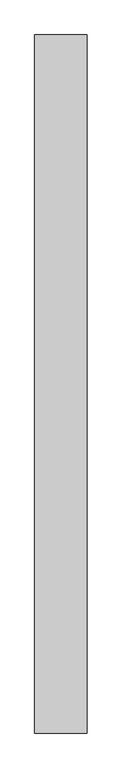
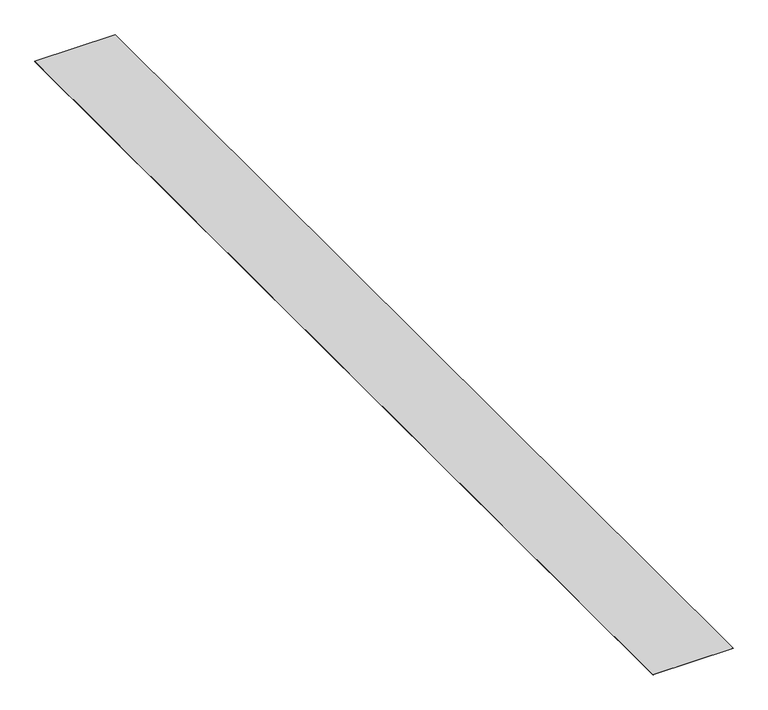
"""IFC4 building model written with IfcOpenShell, lengths in millimetres: proxy geometry."""

import ifcopenshell
import ifcopenshell.guid

model = None  # the IFC model being written
_history = None  # IfcOwnerHistory: only IFC2X3 demands one
_inside = {}  # id of a spatial element -> (the spatial element, [elements in it])
_under = {}  # id of a project, library or spatial element -> (it, [spatial elements below it])
_declared = {}  # id of a project -> (the project, [libraries it declares])
_typed = {}  # id of a type object -> (the type object, [elements of that type])
_made_of = {}  # id of a material, layer set ... -> (it, [elements and type objects made of it])


def new_model(schema):
    """Start an empty IFC model of exactly this schema.

    Asked for "IFC4X3", IfcOpenShell would pick the latest addendum, in which some entities
    have other attributes; the version numbers below select the first issue.
    IFC2X3 requires an IfcOwnerHistory on every rooted entity: one is made here for all.
    """
    global model, _history
    if schema == "IFC4X3":
        model = ifcopenshell.file(schema_version=(4, 3, 0, 0))
    else:
        model = ifcopenshell.file(schema=schema)
    _inside.clear()
    _under.clear()
    _declared.clear()
    _typed.clear()
    _made_of.clear()
    _history = None
    if model.schema == "IFC2X3":
        org = make("IfcOrganization", Name="unknown")
        user = make(
            "IfcPersonAndOrganization",
            ThePerson=make("IfcPerson", FamilyName="unknown"),
            TheOrganization=org,
        )
        app = make(
            "IfcApplication",
            ApplicationDeveloper=org,
            Version="unknown",
            ApplicationFullName="unknown",
            ApplicationIdentifier="unknown",
        )
        _history = make(
            "IfcOwnerHistory",
            OwningUser=user,
            OwningApplication=app,
            ChangeAction="ADDED",
            CreationDate=0,
        )
    return model


def make(cls, **values):
    """One entity of the class cls with the attributes given. An attribute that is None is left unset."""
    return model.create_entity(
        cls, **{name: value for name, value in values.items() if value is not None}
    )


def rooted(cls, **values):
    """An entity with a GlobalId (a new one), such as an element, a storey or a relation."""
    return make(cls, GlobalId=ifcopenshell.guid.new(), OwnerHistory=_history, **values)


def si_unit(unit_type, name, prefix=None):
    """IfcSIUnit, for example si_unit("LENGTHUNIT", "METRE", prefix="MILLI")."""
    return make("IfcSIUnit", UnitType=unit_type, Prefix=prefix, Name=name)


def assignment(units):
    """IfcUnitAssignment: the units of a project."""
    return None if units is None else make("IfcUnitAssignment", Units=units)


def point(xyz):
    """IfcCartesianPoint."""
    return None if xyz is None else make("IfcCartesianPoint", Coordinates=xyz)


def direction(xyz):
    """IfcDirection."""
    return None if xyz is None else make("IfcDirection", DirectionRatios=xyz)


def frame(location, z_axis=None, x_axis=None):
    """IfcAxis2Placement3D, a coordinate frame: its origin and axes. An axis left out is left unset."""
    return make(
        "IfcAxis2Placement3D",
        Location=point(location),
        Axis=direction(z_axis),
        RefDirection=direction(x_axis),
    )


def origin():
    """The frame at (0, 0, 0) with its axes left unset."""
    return frame((0.0, 0.0, 0.0))


def origin_with_axes():
    """The frame at (0, 0, 0) with the z axis (0, 0, 1) and the x axis (1, 0, 0) written out."""
    return frame((0.0, 0.0, 0.0), z_axis=(0.0, 0.0, 1.0), x_axis=(1.0, 0.0, 0.0))


def place(relative_to, where):
    """IfcLocalPlacement: puts the frame where relative to a parent placement (None: the world)."""
    return make(
        "IfcLocalPlacement", PlacementRelTo=relative_to, RelativePlacement=where
    )


def context(
    kind, dimensions, precision=None, world=None, true_north=None, identifier=None
):
    """IfcGeometricRepresentationContext, for example the 3D "Model" context."""
    return make(
        "IfcGeometricRepresentationContext",
        ContextIdentifier=identifier,
        ContextType=kind,
        CoordinateSpaceDimension=dimensions,
        Precision=precision,
        WorldCoordinateSystem=world,
        TrueNorth=true_north,
    )


def project(units=None, contexts=None):
    """IfcProject with its units and contexts."""
    return rooted(
        "IfcProject",
        Name="project",
        RepresentationContexts=contexts,
        UnitsInContext=assignment(units),
    )


def spatial(cls, under=None, at=None, **own):
    """A site, building, storey or space (cls), placed at a placement, below another one or the project."""
    s = rooted(cls, ObjectPlacement=at, **own)
    if under is not None:
        _under.setdefault(under.id(), (under, []))[1].append(s)
    return s


def polyline(points):
    """IfcPolyline through the points."""
    return make("IfcPolyline", Points=[point(p) for p in points])


def outline(outer, holes=None, kind="AREA"):
    """IfcArbitraryClosedProfileDef: a profile drawn as a closed curve; with holes, ...WithVoids."""
    if holes is None:
        return make("IfcArbitraryClosedProfileDef", ProfileType=kind, OuterCurve=outer)
    return make(
        "IfcArbitraryProfileDefWithVoids",
        ProfileType=kind,
        OuterCurve=outer,
        InnerCurves=holes,
    )


def extrude(swept, where, along, depth):
    """IfcExtrudedAreaSolid: the profile swept, set in the frame where, extruded along a direction by depth."""
    return make(
        "IfcExtrudedAreaSolid",
        SweptArea=swept,
        Position=where,
        ExtrudedDirection=direction(along),
        Depth=depth,
    )


def shape(context_of_items, identifier, shape_type, items):
    """IfcShapeRepresentation: the items that make up one representation, for example the "Body"."""
    return make(
        "IfcShapeRepresentation",
        ContextOfItems=context_of_items,
        RepresentationIdentifier=identifier,
        RepresentationType=shape_type,
        Items=items,
    )


def source(mapping_origin, context_of_items, identifier, shape_type, items):
    """IfcRepresentationMap: a shape defined once, which mapped items show again and again."""
    return make(
        "IfcRepresentationMap",
        MappingOrigin=mapping_origin,
        MappedRepresentation=shape(context_of_items, identifier, shape_type, items),
    )


def transform(
    local_origin,
    x_axis=None,
    y_axis=None,
    z_axis=None,
    scale=None,
    scale2=None,
    scale3=None,
    uniform=True,
):
    """IfcCartesianTransformationOperator3D, or its non-uniform kind. x_axis, y_axis, z_axis: its Axis1, 2, 3."""
    if uniform:
        return make(
            "IfcCartesianTransformationOperator3D",
            Axis1=direction(x_axis),
            Axis2=direction(y_axis),
            LocalOrigin=point(local_origin),
            Scale=scale,
            Axis3=direction(z_axis),
        )
    return make(
        "IfcCartesianTransformationOperator3DnonUniform",
        Axis1=direction(x_axis),
        Axis2=direction(y_axis),
        LocalOrigin=point(local_origin),
        Scale=scale,
        Axis3=direction(z_axis),
        Scale2=scale2,
        Scale3=scale3,
    )


def mapped(mapping_source, mapping_target):
    """IfcMappedItem: shows the shape of a source again, moved by a transform."""
    return make(
        "IfcMappedItem", MappingSource=mapping_source, MappingTarget=mapping_target
    )


def made_of(thing, what):
    """Note that an element or type object is made of a material, layer set ...; save() writes the relation."""
    if what is not None:
        _made_of.setdefault(what.id(), (what, []))[1].append(thing)
    return thing


def element(
    cls,
    number,
    at=None,
    inside=None,
    cuts=None,
    type_object=None,
    material=None,
    context=None,
    identifier="Body",
    shape_type=None,
    held_by="IfcProductDefinitionShape",
    body=None,
    shapes=None,
    **own,
):
    """One element of the class cls, such as IfcWall. Its Tag is "e" and its number.

    at: its placement. inside: the storey or other place that contains it. cuts: it is an
    opening in that element (IfcRelVoidsElement). A single representation is given by context,
    identifier, shape_type and body (its items); several are given by shapes. held_by: the class
    of the entity that holds the representations. save() writes the other relations.
    """
    e = rooted(cls, Tag="e%d" % number, ObjectPlacement=at, **own)
    if body is not None:
        shapes = [shape(context, identifier, shape_type, body)]
    if shapes is not None:
        e.Representation = make(held_by, Representations=shapes)
    if inside is not None:
        _inside.setdefault(inside.id(), (inside, []))[1].append(e)
    if cuts is not None:
        rooted(
            "IfcRelVoidsElement", RelatingBuildingElement=cuts, RelatedOpeningElement=e
        )
    if type_object is not None:
        _typed.setdefault(type_object.id(), (type_object, []))[1].append(e)
    return made_of(e, material)


def aggregate(whole, parts):
    """IfcRelAggregates: a whole, such as a stair, and the parts it consists of."""
    return rooted("IfcRelAggregates", RelatingObject=whole, RelatedObjects=parts)


def save(model, path):
    """Write the relations noted so far, then the file.

    IfcRelAggregates (storeys below a building ...), IfcRelContainedInSpatialStructure (elements
    in a storey), IfcRelDefinesByType, IfcRelAssociatesMaterial and IfcRelDeclares: one each for
    every whole, place, type object, material and project.
    """
    for whole, parts in _under.values():
        aggregate(whole, parts)
    for where, things in _inside.values():
        rooted(
            "IfcRelContainedInSpatialStructure",
            RelatedElements=things,
            RelatingStructure=where,
        )
    for kind, things in _typed.values():
        rooted("IfcRelDefinesByType", RelatedObjects=things, RelatingType=kind)
    for what, things in _made_of.values():
        rooted("IfcRelAssociatesMaterial", RelatedObjects=things, RelatingMaterial=what)
    for by, libraries in _declared.values():
        rooted("IfcRelDeclares", RelatingContext=by, RelatedDefinitions=libraries)
    model.write(path)


def specialty_equipment_f47f576a(model_context):
    return source(origin(), model_context, "Body", "SweptSolid", [
        extrude(outline(polyline([(457.2, -10668.0), (-457.2, -10668.0), (-457.2, 1524.0), (457.2, 1524.0), (457.2, -10668.0)])), origin_with_axes(), (0.0, 0.0, 1.0), 1.5875),
    ])


if __name__ == "__main__":
    model = new_model("IFC4")
    model_context = context("Model", 3, world=origin())
    ifc_project = project(units=[si_unit("LENGTHUNIT", "METRE", prefix="MILLI")], contexts=[model_context])
    site = spatial("IfcSite", under=ifc_project)
    building = spatial("IfcBuilding", under=site)
    placement = place(None, origin())
    specialty_equipment_shape = specialty_equipment_f47f576a(model_context)
    element("IfcBuildingElementProxy", 1, Name="Specialty Equipment", at=placement, inside=building, context=model_context, shape_type="MappedRepresentation", body=[
        mapped(specialty_equipment_shape, transform((0.0, 0.0, 0.0), x_axis=(1.0, 0.0, 0.0), y_axis=(0.0, 1.0, 0.0), z_axis=(0.0, 0.0, 1.0))),
    ])
    save(model, "model.ifc")
